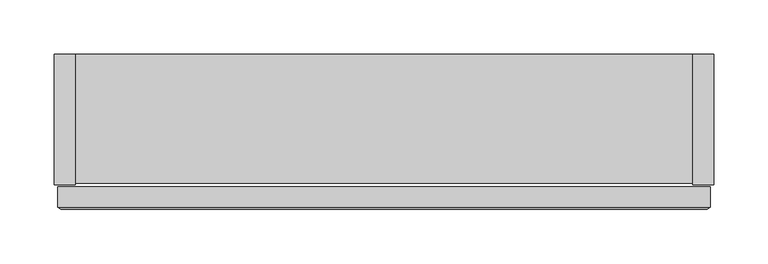
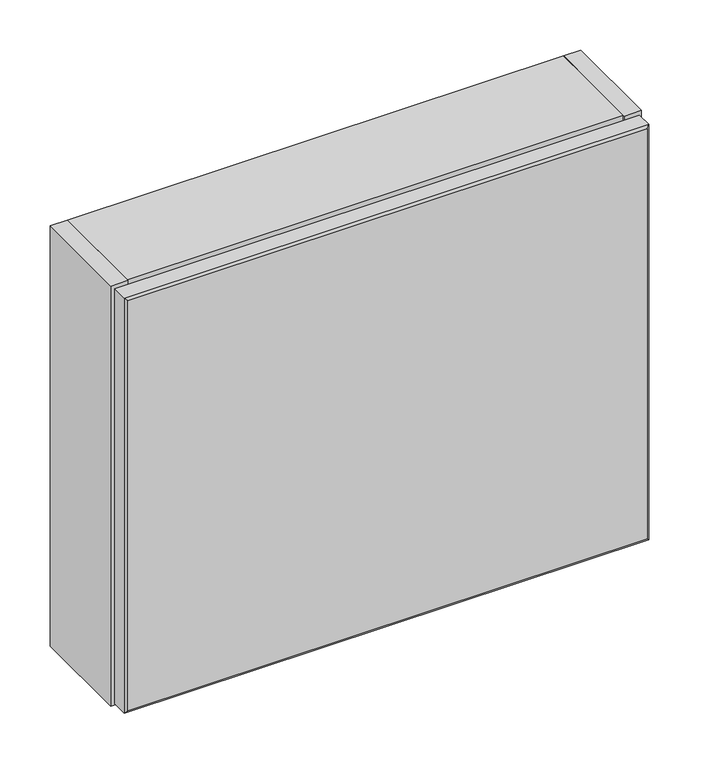
"""IFC4 building model written with IfcOpenShell, lengths in millimetres: furniture geometry."""

from ifc_helpers import new_model, si_unit, frame, origin, place, context, project, spatial, polyline, outline, extrude, faceted_brep, source, transform, mapped, element, save


def furniture_dbdca328(model_context):
    return source(origin(), model_context, "Body", "SolidModel", [
        extrude(outline(polyline([(303.9805048, 0.0), (323.5377049, 0.0), (323.5377049, -120.6509297), (303.9805048, -120.6509297), (303.9805048, 0.0)])), frame((0.0, 0.0, 1608.4351563), z_axis=(0.0, 0.0, 1.0), x_axis=(1.0, 0.0, 0.0)), (0.0, 0.0, 1.0), 510.8773437),
        extrude(outline(polyline([(-286.0622951, 0.0), (-266.4801283, 0.0), (-266.4801283, -120.6509297), (-286.0622951, -120.6509297), (-286.0622951, 0.0)])), frame((0.0, 0.0, 1608.4351563), z_axis=(0.0, 0.0, 1.0), x_axis=(1.0, 0.0, 0.0)), (0.0, 0.0, 1.0), 510.8773437),
        faceted_brep([(320.3627049, -122.7424751, 2116.1375), (-282.8872951, -122.7424751, 2116.1375), (-282.8872951, -141.5509531, 2116.1375), (320.3627049, -141.5509531, 2116.1375), (-282.8872951, -122.7424751, 1611.6101562), (320.3627049, -122.7424751, 1611.6101562), (320.3627049, -141.5509531, 1611.6101562), (-282.8872951, -141.5509531, 1611.6101562), (-279.7122951, -143.383, 2112.9625), (-279.7122951, -143.383, 1614.7851562), (317.1877049, -143.383, 1614.7851562), (317.1877049, -143.383, 2112.9625)], [[[0, 1, 2, 3]], [[4, 5, 6, 7]], [[1, 4, 7, 2]], [[8, 9, 10, 11]], [[5, 0, 3, 6]], [[1, 0, 5, 4]], [[7, 9, 8, 2]], [[9, 7, 6, 10]], [[10, 6, 3, 11]], [[2, 8, 11, 3]]]),
        extrude(outline(polyline([(-119.1270038, 2119.3125), (0.0, 2119.3125), (0.0, 1608.4351563), (-19.5571979, 1608.4351563), (-19.5571979, 2065.3375), (-119.1270038, 2065.3375), (-119.1270038, 2119.3125)])), frame((-266.4801283, 0.0, 0.0), z_axis=(1.0, 0.0, 0.0), x_axis=(0.0, 1.0, 0.0)), (0.0, 0.0, 1.0), 570.460633),
        extrude(outline(polyline([(-140.0122951, -117.5340037), (-266.4801283, -117.5340037), (-266.4801283, -19.5571979), (-140.0122951, -19.5571979), (-140.0122951, -117.5340037)])), frame((0.0, 0.0, 1630.3324962), z_axis=(0.0, 0.0, 1.0), x_axis=(1.0, 0.0, 0.0)), (0.0, 0.0, 1.0), 19.05),
        extrude(outline(polyline([(303.9805048, -117.5340037), (177.4877049, -117.5340037), (177.4877049, -19.5571979), (303.9805048, -19.5571979), (303.9805048, -117.5340037)])), frame((0.0, 0.0, 1630.3324962), z_axis=(0.0, 0.0, 1.0), x_axis=(1.0, 0.0, 0.0)), (0.0, 0.0, 1.0), 19.05),
    ])


if __name__ == "__main__":
    model = new_model("IFC4")
    model_context = context("Model", 3, world=origin())
    ifc_project = project(units=[si_unit("LENGTHUNIT", "METRE", prefix="MILLI")], contexts=[model_context])
    site = spatial("IfcSite", under=ifc_project)
    building = spatial("IfcBuilding", under=site)
    placement = place(None, origin())
    furniture_shape = furniture_dbdca328(model_context)
    element("IfcFurniture", 1, at=placement, inside=building, context=model_context, shape_type="MappedRepresentation", body=[
        mapped(furniture_shape, transform((0.0, 0.0, 0.0), x_axis=(1.0, 0.0, 0.0), y_axis=(0.0, 1.0, 0.0), z_axis=(0.0, 0.0, 1.0))),
    ])
    save(model, "model.ifc")
